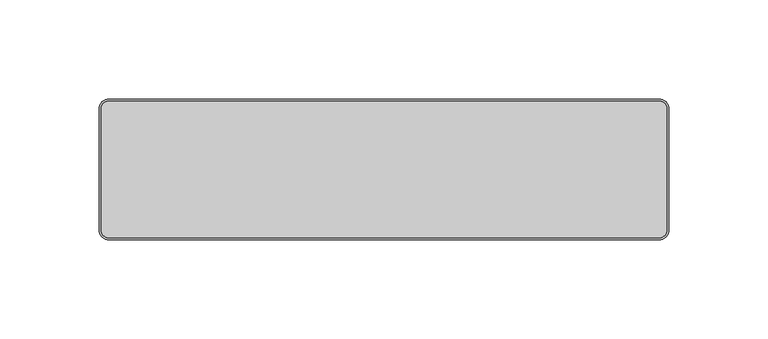
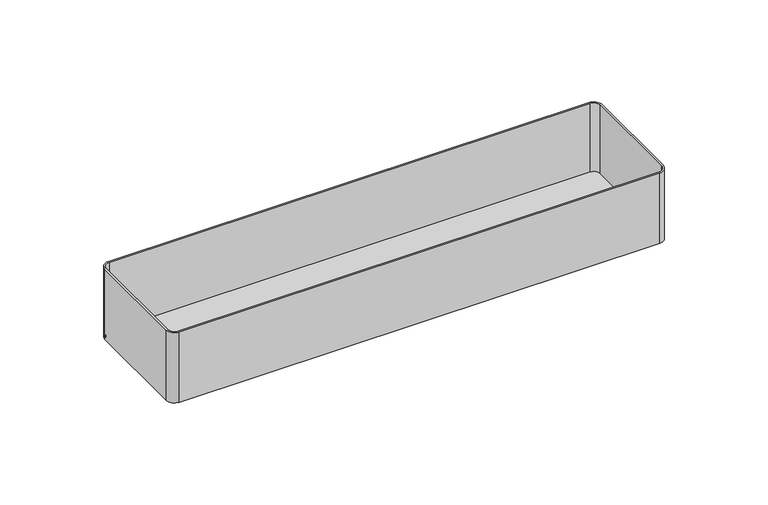
"""IFC4 building model written with IfcOpenShell, lengths in millimetres: proxy geometry."""

from ifc_helpers import new_model, si_unit, point, frame, frame_2d, origin, place, context, project, spatial, polyline, circle_curve, trimmed, segment, composite_curve, outline, extrude, source, transform, mapped, element, save


def electrical_fixtures_6f804b88(model_context):
    return source(origin(), model_context, "Body", "SweptSolid", [
        extrude(outline(composite_curve([segment(polyline([(-138.75, 34.5), (138.75, 34.5)]), True, "CONTINUOUS"), segment(trimmed(circle_curve(frame_2d((138.75, 30.5)), 4.0), [point((138.75, 34.5))], [point((142.75, 30.5))], False, "CARTESIAN"), True, "CONTINUOUS"), segment(polyline([(142.75, 30.5), (142.75, -30.5)]), True, "CONTINUOUS"), segment(trimmed(circle_curve(frame_2d((138.75, -30.5)), 4.0), [point((142.75, -30.5))], [point((138.75, -34.5))], False, "CARTESIAN"), True, "CONTINUOUS"), segment(polyline([(138.75, -34.5), (-138.75, -34.5)]), True, "CONTINUOUS"), segment(trimmed(circle_curve(frame_2d((-138.75, -30.5)), 4.0), [point((-138.75, -34.5))], [point((-142.75, -30.5))], False, "CARTESIAN"), True, "CONTINUOUS"), segment(polyline([(-142.75, -30.5), (-142.75, 30.5)]), True, "CONTINUOUS"), segment(trimmed(circle_curve(frame_2d((-138.75, 30.5)), 4.0), [point((-142.75, 30.5))], [point((-138.75, 34.5))], False, "CARTESIAN"), True, "CONTINUOUS")], self_intersect=False)), frame((0.0, 0.0, -43.0), z_axis=(0.0, 0.0, 1.0), x_axis=(1.0, 0.0, 0.0)), (0.0, 0.0, 1.0), 1.0),
        extrude(outline(composite_curve([segment(polyline([(-143.75, -30.5), (-143.75, 30.5)]), True, "CONTINUOUS"), segment(trimmed(circle_curve(frame_2d((-138.75, 30.5)), 5.0), [point((-143.75, 30.5))], [point((-138.75, 35.5))], False, "CARTESIAN"), True, "CONTINUOUS"), segment(polyline([(-138.75, 35.5), (138.75, 35.5)]), True, "CONTINUOUS"), segment(trimmed(circle_curve(frame_2d((138.75, 30.5)), 5.0), [point((138.75, 35.5))], [point((143.75, 30.5))], False, "CARTESIAN"), True, "CONTINUOUS"), segment(polyline([(143.75, 30.5), (143.75, -30.5)]), True, "CONTINUOUS"), segment(trimmed(circle_curve(frame_2d((138.75, -30.5)), 5.0), [point((143.75, -30.5))], [point((138.75, -35.5))], False, "CARTESIAN"), True, "CONTINUOUS"), segment(polyline([(138.75, -35.5), (-138.75, -35.5)]), True, "CONTINUOUS"), segment(trimmed(circle_curve(frame_2d((-138.75, -30.5)), 5.0), [point((-138.75, -35.5))], [point((-143.75, -30.5))], False, "CARTESIAN"), True, "CONTINUOUS")], self_intersect=False), holes=[composite_curve([segment(trimmed(circle_curve(frame_2d((-138.75, -30.5)), 4.0), [point((-142.75, -30.5))], [point((-138.75, -34.5))], True, "CARTESIAN"), True, "CONTINUOUS"), segment(polyline([(-138.75, -34.5), (138.75, -34.5)]), True, "CONTINUOUS"), segment(trimmed(circle_curve(frame_2d((138.75, -30.5)), 4.0), [point((138.75, -34.5))], [point((142.75, -30.5))], True, "CARTESIAN"), True, "CONTINUOUS"), segment(polyline([(142.75, -30.5), (142.75, 30.5)]), True, "CONTINUOUS"), segment(trimmed(circle_curve(frame_2d((138.75, 30.5)), 4.0), [point((142.75, 30.5))], [point((138.75, 34.5))], True, "CARTESIAN"), True, "CONTINUOUS"), segment(polyline([(138.75, 34.5), (-138.75, 34.5)]), True, "CONTINUOUS"), segment(trimmed(circle_curve(frame_2d((-138.75, 30.5)), 4.0), [point((-138.75, 34.5))], [point((-142.75, 30.5))], True, "CARTESIAN"), True, "CONTINUOUS"), segment(polyline([(-142.75, 30.5), (-142.75, -30.5)]), True, "CONTINUOUS")], self_intersect=False)]), frame((0.0, 0.0, -43.0), z_axis=(0.0, 0.0, 1.0), x_axis=(1.0, 0.0, 0.0)), (0.0, 0.0, 1.0), 43.0),
    ])


if __name__ == "__main__":
    model = new_model("IFC4")
    model_context = context("Model", 3, world=origin())
    ifc_project = project(units=[si_unit("LENGTHUNIT", "METRE", prefix="MILLI")], contexts=[model_context])
    site = spatial("IfcSite", under=ifc_project)
    building = spatial("IfcBuilding", under=site)
    placement = place(None, origin())
    electrical_fixtures_shape = electrical_fixtures_6f804b88(model_context)
    element("IfcBuildingElementProxy", 1, Name="Electrical Fixtures", at=placement, inside=building, context=model_context, shape_type="MappedRepresentation", body=[
        mapped(electrical_fixtures_shape, transform((0.0, 0.0, 0.0), x_axis=(1.0, 0.0, 0.0), y_axis=(0.0, 1.0, 0.0), z_axis=(0.0, 0.0, 1.0))),
    ])
    save(model, "model.ifc")
